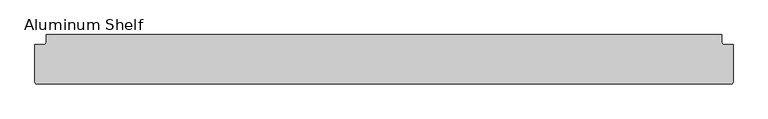
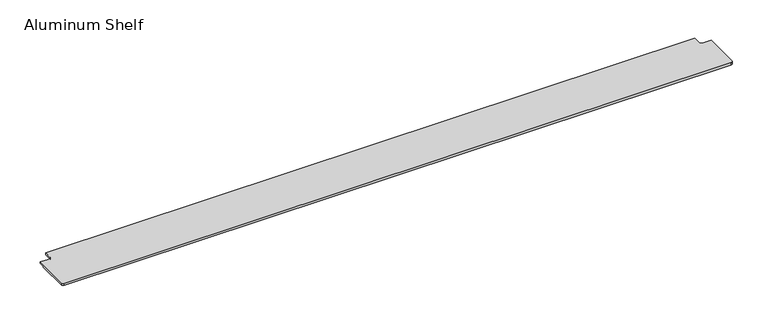
"""IFC4 building model written with IfcOpenShell, lengths in millimetres: furniture geometry, Aluminum Shelf."""

from ifc_helpers import new_model, si_unit, frame, origin, place, context, project, spatial, polyline, circle_curve, source, transform, mapped, element, save
from ifc_brep_helpers import plane_surface, cylinder_surface, revolved_surface, advanced_brep


def aluminum_shelf_4e7f8018(model_context):
    return source(origin(), model_context, "Body", "AdvancedBrep", [
        advanced_brep(
        [(-1136.65, -70.8560781, 2.4854), (882.65, -70.8560781, 2.4854), (889.0, -64.5060781, 2.4854), (889.0, 44.5882219, 2.4854), (862.9396, 44.5882219, 2.4854), (856.5896, 50.9382219, 2.4854), (856.5896, 73.1812219, 2.4854), (-1110.5896, 73.1812219, 2.4854), (-1110.5896, 50.9382219, 2.4854), (-1116.9396, 44.5882219, 2.4854), (-1143.0, 44.5882219, 2.4854), (-1143.0, -64.5060781, 2.4854), (-1136.65, -70.8560781, -4.5146), (-1143.0, -64.5060781, -4.5146), (-1143.0, 29.2199219, -4.5146), (889.0, 29.2199219, -4.5146), (889.0, -64.5060781, -4.5146), (882.65, -70.8560781, -4.5146), (889.0, 29.2199219, -2.51586), (889.0, 44.5882219, -2.51586), (862.9396, 44.5882219, -2.51586), (856.5896, 50.9382219, -2.51586), (856.5896, 73.1812219, -2.51586), (-1110.5896, 73.1812219, -2.51586), (-1110.5896, 50.9382219, -2.51586), (-1116.9396, 44.5882219, -2.51586), (-1143.0, 44.5882219, -2.51586), (-1143.0, 29.2199219, -2.51586)],
        [
            (0, 1),
            (1, 2, circle_curve(frame((882.65, -64.5060781, 2.4854), z_axis=(0.0, 0.0, 1.0), x_axis=(1.0, 0.0, 0.0)), 6.35)),
            (2, 3),
            (3, 4),
            (4, 5, circle_curve(frame((862.9396, 50.9382219, 2.4854), z_axis=(0.0, 0.0, -1.0), x_axis=(1.0, 0.0, 0.0)), 6.35)),
            (5, 6),
            (6, 7),
            (7, 8),
            (8, 9, circle_curve(frame((-1116.9396, 50.9382219, 2.4854), z_axis=(0.0, 0.0, -1.0), x_axis=(1.0, 0.0, 0.0)), 6.35)),
            (9, 10),
            (10, 11),
            (11, 0, circle_curve(frame((-1136.65, -64.5060781, 2.4854), z_axis=(0.0, 0.0, 1.0), x_axis=(1.0, 0.0, 0.0)), 6.35)),
            (12, 13, circle_curve(frame((-1136.65, -64.5060781, -4.5146), z_axis=(0.0, 0.0, -1.0), x_axis=(1.0, 0.0, 0.0)), 6.35)),
            (13, 14),
            (14, 15),
            (15, 16),
            (16, 17, circle_curve(frame((882.65, -64.5060781, -4.5146), z_axis=(0.0, 0.0, -1.0), x_axis=(1.0, 0.0, 0.0)), 6.35)),
            (17, 12),
            (0, 12),
            (17, 1),
            (16, 2),
            (15, 18),
            (18, 19),
            (19, 3),
            (19, 20),
            (20, 4),
            (20, 21, circle_curve(frame((862.9396, 50.9382219, -2.51586), z_axis=(0.0, 0.0, -1.0), x_axis=(1.0, 0.0, 0.0)), 6.35)),
            (21, 5),
            (21, 22),
            (22, 6),
            (22, 23),
            (23, 7),
            (23, 24),
            (24, 8),
            (24, 25, circle_curve(frame((-1116.9396, 50.9382219, -2.51586), z_axis=(0.0, 0.0, -1.0), x_axis=(1.0, 0.0, 0.0)), 6.35)),
            (25, 9),
            (25, 26),
            (26, 10),
            (26, 27),
            (27, 14),
            (13, 11),
            (27, 18),
        ],
        [
            plane_surface(frame((-127.0, -31.1050781, 2.4854), z_axis=(0.0, 0.0, 1.0), x_axis=(1.0, 0.0, 0.0))),
            plane_surface(frame((-127.0, -31.1050781, -4.5146), z_axis=(0.0, 0.0, -1.0), x_axis=(1.0, 0.0, 0.0))),
            plane_surface(frame((-1136.65, -70.8560781, 2.4854), z_axis=(0.0, -1.0, 0.0), x_axis=(0.0, 0.0, -1.0))),
            cylinder_surface(frame((882.65, -64.5060781, 2.4854), z_axis=(0.0, 0.0, 1.0), x_axis=(1.0, 0.0, 0.0)), 6.35),
            plane_surface(frame((889.0, -64.5060781, 2.4854), z_axis=(1.0, 0.0, 0.0), x_axis=(0.0, 0.0, -1.0))),
            plane_surface(frame((889.0, 44.5882219, 2.4854), z_axis=(0.0, 1.0, 0.0), x_axis=(0.0, 0.0, -1.0))),
            revolved_surface(polyline([(869.2896000000001, 50.9382219, -2.5158600000000004), (869.2896000000001, 50.9382219, 2.4854)]), (862.9396, 50.9382219, 2.4854), (0.0, 0.0, -1.0)),
            plane_surface(frame((856.5896, 50.9382219, 2.4854), z_axis=(1.0, 0.0, 0.0), x_axis=(0.0, 0.0, -1.0))),
            plane_surface(frame((856.5896, 73.1812219, 2.4854), z_axis=(0.0, 1.0, 0.0), x_axis=(0.0, 0.0, -1.0))),
            plane_surface(frame((-1110.5896, 73.1812219, 2.4854), z_axis=(-1.0, 0.0, 0.0), x_axis=(0.0, 0.0, -1.0))),
            revolved_surface(polyline([(-1110.5896, 50.9382219, -2.5158600000000004), (-1110.5896, 50.9382219, 2.4854)]), (-1116.9396, 50.9382219, 2.4854), (0.0, 0.0, -1.0)),
            plane_surface(frame((-1116.9396, 44.5882219, 2.4854), z_axis=(0.0, 1.0, 0.0), x_axis=(0.0, 0.0, -1.0))),
            plane_surface(frame((-1143.0, 44.5882219, 2.4854), z_axis=(-1.0, 0.0, 0.0), x_axis=(0.0, 0.0, -1.0))),
            cylinder_surface(frame((-1136.65, -64.5060781, 2.4854), z_axis=(0.0, 0.0, 1.0), x_axis=(1.0, 0.0, 0.0)), 6.35),
            plane_surface(frame((-1143.0, 29.2199219, -14.4803672), z_axis=(0.0, 1.0, 0.0), x_axis=(1.0, 0.0, 0.0))),
            plane_surface(frame((-1143.0, 29.2199219, -2.51586), z_axis=(0.0, 0.0, -1.0), x_axis=(1.0, 0.0, 0.0))),
        ],
        [
            (0, [[1, 2, 3, 4, 5, 6, 7, 8, 9, 10, 11, 12]]),
            (1, [[13, 14, 15, 16, 17, 18]]),
            (2, [[-1, 19, -18, 20]]),
            (3, [[-2, -20, -17, 21]]),
            (4, [[-3, -21, -16, 22, 23, 24]]),
            (5, [[-4, -24, 25, 26]]),
            (6, [[-5, -26, 27, 28]]),
            (7, [[-6, -28, 29, 30]]),
            (8, [[-7, -30, 31, 32]]),
            (9, [[-8, -32, 33, 34]]),
            (10, [[-9, -34, 35, 36]]),
            (11, [[-10, -36, 37, 38]]),
            (12, [[-11, -38, 39, 40, -14, 41]]),
            (13, [[-12, -41, -13, -19]]),
            (14, [[42, -22, -15, -40]]),
            (15, [[-42, -39, -37, -35, -33, -31, -29, -27, -25, -23]]),
        ],
    ),
    ])


if __name__ == "__main__":
    model = new_model("IFC4")
    model_context = context("Model", 3, world=origin())
    ifc_project = project(units=[si_unit("LENGTHUNIT", "METRE", prefix="MILLI")], contexts=[model_context])
    site = spatial("IfcSite", under=ifc_project)
    building = spatial("IfcBuilding", under=site)
    placement = place(None, origin())
    aluminum_shelf_shape = aluminum_shelf_4e7f8018(model_context)
    element("IfcFurniture", 1, ObjectType="Aluminum Shelf", at=placement, inside=building, context=model_context, shape_type="MappedRepresentation", body=[
        mapped(aluminum_shelf_shape, transform((0.0, 0.0, 0.0), x_axis=(1.0, 0.0, 0.0), y_axis=(0.0, 1.0, 0.0), z_axis=(0.0, 0.0, 1.0))),
    ])
    save(model, "model.ifc")
